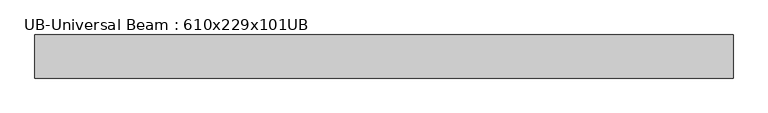
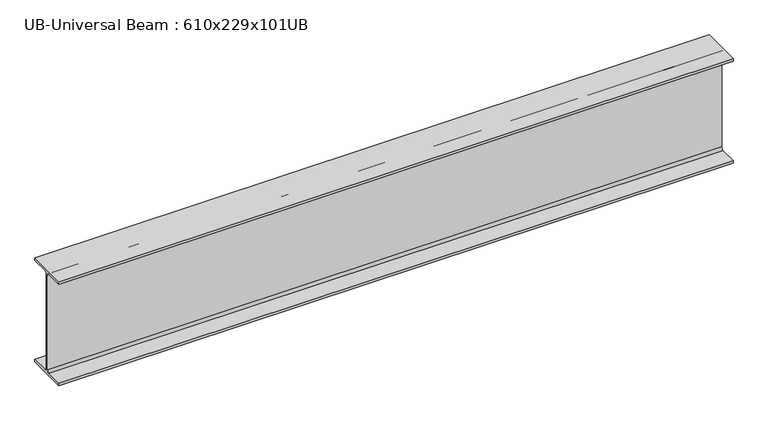
"""IFC4 building model written with IfcOpenShell, lengths in millimetres: beam geometry, UB-Universal Beam : 610x229x101UB."""

from ifc_helpers import new_model, si_unit, point, frame, frame_2d, origin, place, context, project, spatial, polyline, circle_curve, trimmed, segment, composite_curve, outline, extrude, source, transform, mapped, element, save


def ub_universal_beam_610x229x101ub_fd12bb19(model_context):
    return source(origin(), model_context, "Body", "SweptSolid", [
        extrude(outline(composite_curve([segment(polyline([(113.8, -286.5), (113.8, -301.3), (-113.8, -301.3), (-113.8, -286.5), (-17.95, -286.5)]), True, "CONTINUOUS"), segment(trimmed(circle_curve(frame_2d((-17.95, -273.8)), 12.7), [point((-17.95, -286.5))], [point((-5.25, -273.8))], True, "CARTESIAN"), True, "CONTINUOUS"), segment(polyline([(-5.25, -273.8), (-5.25, 273.8)]), True, "CONTINUOUS"), segment(trimmed(circle_curve(frame_2d((-17.95, 273.8)), 12.7), [point((-5.25, 273.8))], [point((-17.95, 286.5))], True, "CARTESIAN"), True, "CONTINUOUS"), segment(polyline([(-17.95, 286.5), (-113.8, 286.5), (-113.8, 301.3), (113.8, 301.3), (113.8, 286.5), (17.95, 286.5)]), True, "CONTINUOUS"), segment(trimmed(circle_curve(frame_2d((17.95, 273.8)), 12.7), [point((17.95, 286.5))], [point((5.25, 273.8))], True, "CARTESIAN"), True, "CONTINUOUS"), segment(polyline([(5.25, 273.8), (5.25, -273.8)]), True, "CONTINUOUS"), segment(trimmed(circle_curve(frame_2d((17.95, -273.8)), 12.7), [point((5.25, -273.8))], [point((17.95, -286.5))], True, "CARTESIAN"), True, "CONTINUOUS"), segment(polyline([(17.95, -286.5), (113.8, -286.5)]), True, "CONTINUOUS")], self_intersect=False)), frame((-1777.9293446, 0.0, 0.0), z_axis=(1.0, 0.0, 0.0), x_axis=(0.0, 1.0, 0.0)), (0.0, 0.0, 1.0), 3682.9328004),
    ])


if __name__ == "__main__":
    model = new_model("IFC4")
    model_context = context("Model", 3, world=origin())
    ifc_project = project(units=[si_unit("LENGTHUNIT", "METRE", prefix="MILLI")], contexts=[model_context])
    site = spatial("IfcSite", under=ifc_project)
    building = spatial("IfcBuilding", under=site)
    placement = place(None, origin())
    ub_universal_beam_610x229x101ub_shape = ub_universal_beam_610x229x101ub_fd12bb19(model_context)
    element("IfcBeam", 1, ObjectType="UB-Universal Beam : 610x229x101UB", at=placement, inside=building, context=model_context, shape_type="MappedRepresentation", body=[
        mapped(ub_universal_beam_610x229x101ub_shape, transform((0.0, 0.0, 0.0), x_axis=(1.0, 0.0, 0.0), y_axis=(0.0, 1.0, 0.0), z_axis=(0.0, 0.0, 1.0))),
    ])
    save(model, "model.ifc")
